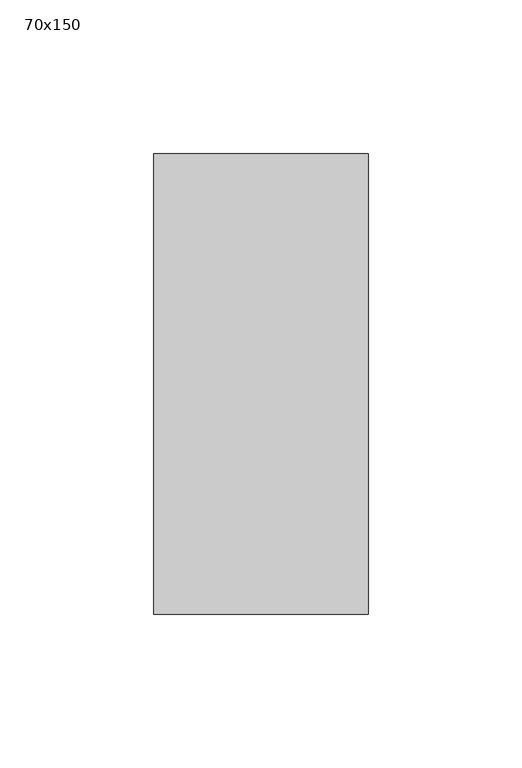
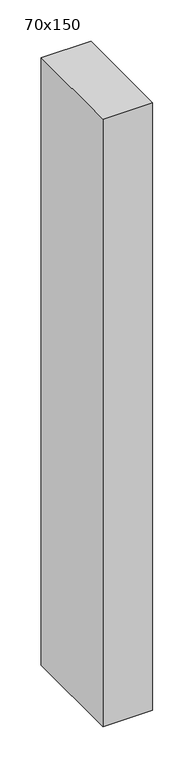
"""IFC4 building model written with IfcOpenShell, lengths in millimetres: member geometry, 70x150."""

from ifc_helpers import new_model, si_unit, frame, origin, place, context, project, spatial, polyline, outline, extrude, source, transform, mapped, element, save


def member_70x150_d0359e29(model_context):
    return source(origin(), model_context, "Body", "SweptSolid", [
        extrude(outline(polyline([(35.0, 75.0), (35.0, -75.0), (-35.0, -75.0), (-35.0, 75.0), (35.0, 75.0)])), frame((0.0, 0.0, -900.0), z_axis=(0.0, 0.0, 1.0), x_axis=(1.0, 0.0, 0.0)), (0.0, 0.0, 1.0), 900.0),
    ])


if __name__ == "__main__":
    model = new_model("IFC4")
    model_context = context("Model", 3, world=origin())
    ifc_project = project(units=[si_unit("LENGTHUNIT", "METRE", prefix="MILLI")], contexts=[model_context])
    site = spatial("IfcSite", under=ifc_project)
    building = spatial("IfcBuilding", under=site)
    placement = place(None, origin())
    member_70x150_shape = member_70x150_d0359e29(model_context)
    element("IfcMember", 1, ObjectType="70x150", at=placement, inside=building, context=model_context, shape_type="MappedRepresentation", body=[
        mapped(member_70x150_shape, transform((0.0, 0.0, 0.0), x_axis=(1.0, 0.0, 0.0), y_axis=(0.0, 1.0, 0.0), z_axis=(0.0, 0.0, 1.0))),
    ])
    save(model, "model.ifc")
